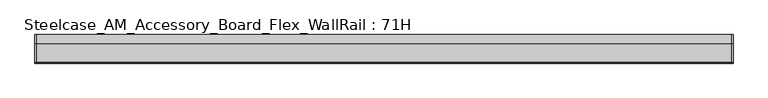
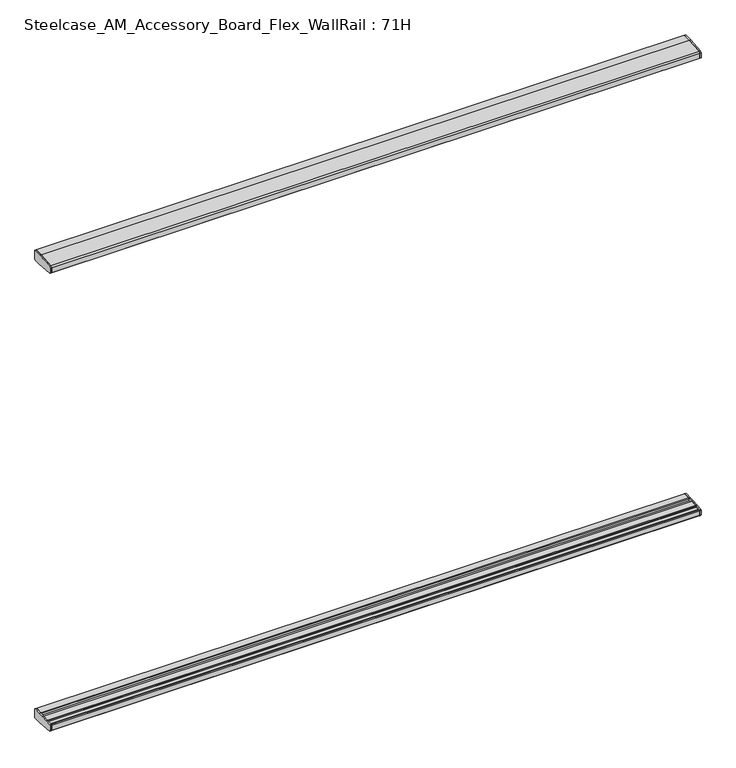
"""IFC4 building model written with IfcOpenShell, lengths in millimetres: furniture geometry, Steelcase_AM_Accessory_Board_Flex_WallRail : 71H."""

from ifc_helpers import new_model, si_unit, frame, origin, place, context, project, spatial, polyline, outline, extrude, source, transform, mapped, element, save


def steelcase_am_accessory_board_flex_wallrail_71h_4a79e921(model_context):
    return source(origin(), model_context, "Body", "SweptSolid", [
        extrude(outline(polyline([(-29.748384, 311.8124036), (-2.0015978, 311.8124036), (0.0, 309.8107755), (0.0, 274.6124455), (-31.7483991, 274.6124455), (-95.5653908, 280.1038739), (-99.9999601, 284.9364269), (-99.9999601, 304.160545), (-98.0172056, 306.3145802), (-73.1435844, 308.3782149), (-50.3978144, 310.4594831), (-29.748384, 311.8124036)])), frame((2443.3857422, 0.0, 0.0), z_axis=(1.0, 0.0, 0.0), x_axis=(0.0, 1.0, 0.0)), (0.0, 0.0, 1.0), 4.9857422),
        extrude(outline(polyline([(-29.748384, 2096.400042), (-50.3978144, 2097.7529625), (-73.1435844, 2099.8342307), (-98.0172056, 2101.8978653), (-99.9999601, 2104.0519005), (-99.9999601, 2123.2760186), (-95.5653908, 2128.1085716), (-31.7483991, 2133.6), (0.0, 2133.6), (0.0, 2098.40167), (-2.0015978, 2096.400042), (-29.748384, 2096.400042)])), frame((2443.3857422, 0.0, 0.0), z_axis=(1.0, 0.0, 0.0), x_axis=(0.0, 1.0, 0.0)), (0.0, 0.0, 1.0), 4.9857422),
        extrude(outline(polyline([(-29.748384, 311.8124036), (-2.0015978, 311.8124036), (0.0, 309.8107755), (0.0, 274.6124455), (-31.7483991, 274.6124455), (-95.5653908, 280.1038739), (-99.9999601, 284.9364269), (-99.9999601, 304.160545), (-98.0172056, 306.3145802), (-73.1435844, 308.3782149), (-50.3978144, 310.4594831), (-29.748384, 311.8124036)])), frame((0.0, 0.0, 0.0), z_axis=(1.0, 0.0, 0.0), x_axis=(0.0, 1.0, 0.0)), (0.0, 0.0, 1.0), 4.9857422),
        extrude(outline(polyline([(-29.748384, 2096.400042), (-50.3978144, 2097.7529625), (-73.1435844, 2099.8342307), (-98.0172056, 2101.8978653), (-99.9999601, 2104.0519005), (-99.9999601, 2123.2760186), (-95.5653908, 2128.1085716), (-31.7483991, 2133.6), (0.0, 2133.6), (0.0, 2098.40167), (-2.0015978, 2096.400042), (-29.748384, 2096.400042)])), frame((0.0, 0.0, 0.0), z_axis=(1.0, 0.0, 0.0), x_axis=(0.0, 1.0, 0.0)), (0.0, 0.0, 1.0), 4.9857422),
        extrude(outline(polyline([(0.0, 309.8107755), (0.0, 274.6124455), (-31.7483991, 274.6124455), (-95.5653908, 280.1038739), (-99.9999606, 284.9364278), (-99.9999598, 304.160545), (-98.0172056, 306.3145802), (-93.9826847, 306.6493034), (-91.9999743, 304.8242642), (-91.9999735, 302.4062228), (-75.1383227, 302.4062228), (-75.1383233, 306.2110981), (-73.1435844, 308.3782149), (-50.3978144, 310.4594831), (-48.4030258, 308.4293275), (-48.4030258, 302.4062228), (-31.7499758, 302.4062228), (-31.7499758, 309.8107815), (-29.748384, 311.8124036), (-2.0015978, 311.8124036), (0.0, 309.8107755)])), frame((4.9857422, 0.0, 0.0), z_axis=(1.0, 0.0, 0.0), x_axis=(0.0, 1.0, 0.0)), (0.0, 0.0, 1.0), 2438.4),
        extrude(outline(polyline([(0.0, 2098.40167), (-2.0015978, 2096.400042), (-29.748384, 2096.400042), (-31.7499758, 2098.401664), (-31.7499758, 2105.8062228), (-48.4030258, 2105.8062228), (-48.4030258, 2099.783118), (-50.3978144, 2097.7529625), (-73.1435844, 2099.8342307), (-75.1383233, 2102.0013474), (-75.1383227, 2105.8062228), (-91.9999735, 2105.8062228), (-91.9999743, 2103.3881813), (-93.9826847, 2101.5631421), (-98.0172056, 2101.8978653), (-99.9999601, 2104.0519008), (-99.9999601, 2123.2760183), (-95.5653908, 2128.1085716), (-31.7483991, 2133.6), (0.0, 2133.6), (0.0, 2098.40167)])), frame((4.9857422, 0.0, 0.0), z_axis=(1.0, 0.0, 0.0), x_axis=(0.0, 1.0, 0.0)), (0.0, 0.0, 1.0), 2438.4),
    ])


if __name__ == "__main__":
    model = new_model("IFC4")
    model_context = context("Model", 3, world=origin())
    ifc_project = project(units=[si_unit("LENGTHUNIT", "METRE", prefix="MILLI")], contexts=[model_context])
    site = spatial("IfcSite", under=ifc_project)
    building = spatial("IfcBuilding", under=site)
    placement = place(None, origin())
    steelcase_am_accessory_board_flex_wallrail_71h_shape = steelcase_am_accessory_board_flex_wallrail_71h_4a79e921(model_context)
    element("IfcFurniture", 1, ObjectType="Steelcase_AM_Accessory_Board_Flex_WallRail : 71H", at=placement, inside=building, context=model_context, shape_type="MappedRepresentation", body=[
        mapped(steelcase_am_accessory_board_flex_wallrail_71h_shape, transform((0.0, 0.0, 0.0), x_axis=(1.0, 0.0, 0.0), y_axis=(0.0, 1.0, 0.0), z_axis=(0.0, 0.0, 1.0))),
    ])
    save(model, "model.ifc")
